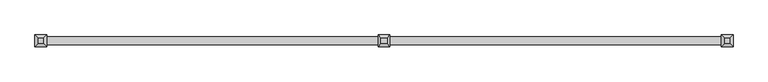
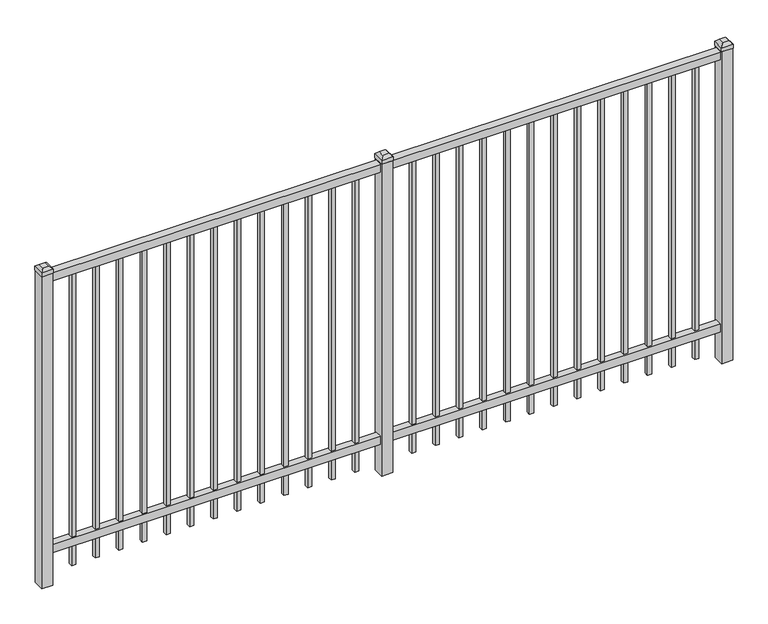
"""IFC4 building model written with IfcOpenShell, lengths in millimetres: railing geometry."""

from ifc_helpers import new_model, si_unit, frame, origin, origin_with_axes, place, context, project, spatial, polyline, outline, extrude, faceted_brep, source, transform, mapped, element, save


def railing_e4c485e8(model_context):
    return source(origin(), model_context, "Body", "SolidModel", [
        extrude(outline(polyline([(-73537.318087, 3004.8804826), (-73537.318087, 3039.8054826), (-70387.718087, 3039.8054826), (-70387.718087, 3004.8804826), (-73537.318087, 3004.8804826)])), frame((0.0, 0.0, 1485.9), z_axis=(0.0, 0.0, 1.0), x_axis=(1.0, 0.0, 0.0)), (0.0, 0.0, 1.0), 38.1),
        extrude(outline(polyline([(-73537.318087, 3004.8804826), (-73537.318087, 3039.8054826), (-70387.718087, 3039.8054826), (-70387.718087, 3004.8804826), (-73537.318087, 3004.8804826)])), frame((0.0, 0.0, 152.4), z_axis=(0.0, 0.0, 1.0), x_axis=(1.0, 0.0, 0.0)), (0.0, 0.0, 1.0), 38.1),
        extrude(outline(polyline([(-70619.2285036, 3031.8679826), (-70619.2285036, 3012.8179826), (-70638.2785036, 3012.8179826), (-70638.2785036, 3031.8679826), (-70619.2285036, 3031.8679826)])), frame((0.0, 0.0, 50.8), z_axis=(0.0, 0.0, 1.0), x_axis=(1.0, 0.0, 0.0)), (0.0, 0.0, 1.0), 1435.1),
        extrude(outline(polyline([(-70728.5014203, 3031.8679826), (-70728.5014203, 3012.8179826), (-70747.5514203, 3012.8179826), (-70747.5514203, 3031.8679826), (-70728.5014203, 3031.8679826)])), frame((0.0, 0.0, 50.8), z_axis=(0.0, 0.0, 1.0), x_axis=(1.0, 0.0, 0.0)), (0.0, 0.0, 1.0), 1435.1),
        extrude(outline(polyline([(-70837.774337, 3031.8679826), (-70837.774337, 3012.8179826), (-70856.824337, 3012.8179826), (-70856.824337, 3031.8679826), (-70837.774337, 3031.8679826)])), frame((0.0, 0.0, 50.8), z_axis=(0.0, 0.0, 1.0), x_axis=(1.0, 0.0, 0.0)), (0.0, 0.0, 1.0), 1435.1),
        extrude(outline(polyline([(-70947.0472536, 3031.8679826), (-70947.0472536, 3012.8179826), (-70966.0972536, 3012.8179826), (-70966.0972536, 3031.8679826), (-70947.0472536, 3031.8679826)])), frame((0.0, 0.0, 50.8), z_axis=(0.0, 0.0, 1.0), x_axis=(1.0, 0.0, 0.0)), (0.0, 0.0, 1.0), 1435.1),
        extrude(outline(polyline([(-71056.3201703, 3031.8679826), (-71056.3201703, 3012.8179826), (-71075.3701703, 3012.8179826), (-71075.3701703, 3031.8679826), (-71056.3201703, 3031.8679826)])), frame((0.0, 0.0, 50.8), z_axis=(0.0, 0.0, 1.0), x_axis=(1.0, 0.0, 0.0)), (0.0, 0.0, 1.0), 1435.1),
        extrude(outline(polyline([(-71165.593087, 3031.8679826), (-71165.593087, 3012.8179826), (-71184.643087, 3012.8179826), (-71184.643087, 3031.8679826), (-71165.593087, 3031.8679826)])), frame((0.0, 0.0, 50.8), z_axis=(0.0, 0.0, 1.0), x_axis=(1.0, 0.0, 0.0)), (0.0, 0.0, 1.0), 1435.1),
        extrude(outline(polyline([(-71274.8660036, 3031.8679826), (-71274.8660036, 3012.8179826), (-71293.9160036, 3012.8179826), (-71293.9160036, 3031.8679826), (-71274.8660036, 3031.8679826)])), frame((0.0, 0.0, 50.8), z_axis=(0.0, 0.0, 1.0), x_axis=(1.0, 0.0, 0.0)), (0.0, 0.0, 1.0), 1435.1),
        extrude(outline(polyline([(-71384.1389203, 3031.8679826), (-71384.1389203, 3012.8179826), (-71403.1889203, 3012.8179826), (-71403.1889203, 3031.8679826), (-71384.1389203, 3031.8679826)])), frame((0.0, 0.0, 50.8), z_axis=(0.0, 0.0, 1.0), x_axis=(1.0, 0.0, 0.0)), (0.0, 0.0, 1.0), 1435.1),
        extrude(outline(polyline([(-71493.411837, 3031.8679826), (-71493.411837, 3012.8179826), (-71512.461837, 3012.8179826), (-71512.461837, 3031.8679826), (-71493.411837, 3031.8679826)])), frame((0.0, 0.0, 50.8), z_axis=(0.0, 0.0, 1.0), x_axis=(1.0, 0.0, 0.0)), (0.0, 0.0, 1.0), 1435.1),
        extrude(outline(polyline([(-71602.6847536, 3031.8679826), (-71602.6847536, 3012.8179826), (-71621.7347536, 3012.8179826), (-71621.7347536, 3031.8679826), (-71602.6847536, 3031.8679826)])), frame((0.0, 0.0, 50.8), z_axis=(0.0, 0.0, 1.0), x_axis=(1.0, 0.0, 0.0)), (0.0, 0.0, 1.0), 1435.1),
        extrude(outline(polyline([(-71711.9576703, 3031.8679826), (-71711.9576703, 3012.8179826), (-71731.0076703, 3012.8179826), (-71731.0076703, 3031.8679826), (-71711.9576703, 3031.8679826)])), frame((0.0, 0.0, 50.8), z_axis=(0.0, 0.0, 1.0), x_axis=(1.0, 0.0, 0.0)), (0.0, 0.0, 1.0), 1435.1),
        extrude(outline(polyline([(-70509.955587, 3031.8679826), (-70509.955587, 3012.8179826), (-70529.005587, 3012.8179826), (-70529.005587, 3031.8679826), (-70509.955587, 3031.8679826)])), frame((0.0, 0.0, 50.8), z_axis=(0.0, 0.0, 1.0), x_axis=(1.0, 0.0, 0.0)), (0.0, 0.0, 1.0), 1435.1),
        extrude(outline(polyline([(-71821.230587, 3031.8679826), (-71821.230587, 3012.8179826), (-71840.280587, 3012.8179826), (-71840.280587, 3031.8679826), (-71821.230587, 3031.8679826)])), frame((0.0, 0.0, 50.8), z_axis=(0.0, 0.0, 1.0), x_axis=(1.0, 0.0, 0.0)), (0.0, 0.0, 1.0), 1435.1),
        extrude(outline(polyline([(-71937.118087, 3047.7429826), (-71937.118087, 2996.9429826), (-71987.918087, 2996.9429826), (-71987.918087, 3047.7429826), (-71937.118087, 3047.7429826)])), origin_with_axes(), (0.0, 0.0, 1.0), 1530.35),
        faceted_brep([(-71989.505587, 3049.3304826, 1549.4), (-71989.505587, 3049.3304826, 1530.35), (-71989.505587, 2995.3554826, 1530.35), (-71989.505587, 2995.3554826, 1549.4), (-71976.805587, 3036.6304826, 1562.1), (-71976.805587, 3008.0554826, 1562.1), (-71935.530587, 2995.3554826, 1530.35), (-71935.530587, 2995.3554826, 1549.4), (-71948.230587, 3008.0554826, 1562.1), (-71935.530587, 3049.3304826, 1530.35), (-71935.530587, 3049.3304826, 1549.4), (-71948.230587, 3036.6304826, 1562.1)], [[[0, 1, 2, 3]], [[4, 0, 3, 5]], [[3, 2, 6, 7]], [[5, 3, 7, 8]], [[7, 6, 9, 10]], [[8, 7, 10, 11]], [[10, 9, 1, 0]], [[11, 10, 0, 4]], [[5, 8, 11, 4]], [[1, 9, 6, 2]]]),
        extrude(outline(polyline([(-72194.0285036, 3031.8679826), (-72194.0285036, 3012.8179826), (-72213.0785036, 3012.8179826), (-72213.0785036, 3031.8679826), (-72194.0285036, 3031.8679826)])), frame((0.0, 0.0, 50.8), z_axis=(0.0, 0.0, 1.0), x_axis=(1.0, 0.0, 0.0)), (0.0, 0.0, 1.0), 1435.1),
        extrude(outline(polyline([(-72303.3014203, 3031.8679826), (-72303.3014203, 3012.8179826), (-72322.3514203, 3012.8179826), (-72322.3514203, 3031.8679826), (-72303.3014203, 3031.8679826)])), frame((0.0, 0.0, 50.8), z_axis=(0.0, 0.0, 1.0), x_axis=(1.0, 0.0, 0.0)), (0.0, 0.0, 1.0), 1435.1),
        extrude(outline(polyline([(-72412.574337, 3031.8679826), (-72412.574337, 3012.8179826), (-72431.624337, 3012.8179826), (-72431.624337, 3031.8679826), (-72412.574337, 3031.8679826)])), frame((0.0, 0.0, 50.8), z_axis=(0.0, 0.0, 1.0), x_axis=(1.0, 0.0, 0.0)), (0.0, 0.0, 1.0), 1435.1),
        extrude(outline(polyline([(-72521.8472536, 3031.8679826), (-72521.8472536, 3012.8179826), (-72540.8972536, 3012.8179826), (-72540.8972536, 3031.8679826), (-72521.8472536, 3031.8679826)])), frame((0.0, 0.0, 50.8), z_axis=(0.0, 0.0, 1.0), x_axis=(1.0, 0.0, 0.0)), (0.0, 0.0, 1.0), 1435.1),
        extrude(outline(polyline([(-72631.1201703, 3031.8679826), (-72631.1201703, 3012.8179826), (-72650.1701703, 3012.8179826), (-72650.1701703, 3031.8679826), (-72631.1201703, 3031.8679826)])), frame((0.0, 0.0, 50.8), z_axis=(0.0, 0.0, 1.0), x_axis=(1.0, 0.0, 0.0)), (0.0, 0.0, 1.0), 1435.1),
        extrude(outline(polyline([(-72740.393087, 3031.8679826), (-72740.393087, 3012.8179826), (-72759.443087, 3012.8179826), (-72759.443087, 3031.8679826), (-72740.393087, 3031.8679826)])), frame((0.0, 0.0, 50.8), z_axis=(0.0, 0.0, 1.0), x_axis=(1.0, 0.0, 0.0)), (0.0, 0.0, 1.0), 1435.1),
        extrude(outline(polyline([(-72849.6660036, 3031.8679826), (-72849.6660036, 3012.8179826), (-72868.7160036, 3012.8179826), (-72868.7160036, 3031.8679826), (-72849.6660036, 3031.8679826)])), frame((0.0, 0.0, 50.8), z_axis=(0.0, 0.0, 1.0), x_axis=(1.0, 0.0, 0.0)), (0.0, 0.0, 1.0), 1435.1),
        extrude(outline(polyline([(-72958.9389203, 3031.8679826), (-72958.9389203, 3012.8179826), (-72977.9889203, 3012.8179826), (-72977.9889203, 3031.8679826), (-72958.9389203, 3031.8679826)])), frame((0.0, 0.0, 50.8), z_axis=(0.0, 0.0, 1.0), x_axis=(1.0, 0.0, 0.0)), (0.0, 0.0, 1.0), 1435.1),
        extrude(outline(polyline([(-73068.211837, 3031.8679826), (-73068.211837, 3012.8179826), (-73087.261837, 3012.8179826), (-73087.261837, 3031.8679826), (-73068.211837, 3031.8679826)])), frame((0.0, 0.0, 50.8), z_axis=(0.0, 0.0, 1.0), x_axis=(1.0, 0.0, 0.0)), (0.0, 0.0, 1.0), 1435.1),
        extrude(outline(polyline([(-73177.4847536, 3031.8679826), (-73177.4847536, 3012.8179826), (-73196.5347536, 3012.8179826), (-73196.5347536, 3031.8679826), (-73177.4847536, 3031.8679826)])), frame((0.0, 0.0, 50.8), z_axis=(0.0, 0.0, 1.0), x_axis=(1.0, 0.0, 0.0)), (0.0, 0.0, 1.0), 1435.1),
        extrude(outline(polyline([(-73286.7576703, 3031.8679826), (-73286.7576703, 3012.8179826), (-73305.8076703, 3012.8179826), (-73305.8076703, 3031.8679826), (-73286.7576703, 3031.8679826)])), frame((0.0, 0.0, 50.8), z_axis=(0.0, 0.0, 1.0), x_axis=(1.0, 0.0, 0.0)), (0.0, 0.0, 1.0), 1435.1),
        extrude(outline(polyline([(-72084.755587, 3031.8679826), (-72084.755587, 3012.8179826), (-72103.805587, 3012.8179826), (-72103.805587, 3031.8679826), (-72084.755587, 3031.8679826)])), frame((0.0, 0.0, 50.8), z_axis=(0.0, 0.0, 1.0), x_axis=(1.0, 0.0, 0.0)), (0.0, 0.0, 1.0), 1435.1),
        extrude(outline(polyline([(-73396.030587, 3031.8679826), (-73396.030587, 3012.8179826), (-73415.080587, 3012.8179826), (-73415.080587, 3031.8679826), (-73396.030587, 3031.8679826)])), frame((0.0, 0.0, 50.8), z_axis=(0.0, 0.0, 1.0), x_axis=(1.0, 0.0, 0.0)), (0.0, 0.0, 1.0), 1435.1),
        extrude(outline(polyline([(-70362.318087, 3047.7429826), (-70362.318087, 2996.9429826), (-70413.118087, 2996.9429826), (-70413.118087, 3047.7429826), (-70362.318087, 3047.7429826)])), origin_with_axes(), (0.0, 0.0, 1.0), 1530.35),
        faceted_brep([(-70414.705587, 3049.3304826, 1549.4), (-70414.705587, 3049.3304826, 1530.35), (-70414.705587, 2995.3554826, 1530.35), (-70414.705587, 2995.3554826, 1549.4), (-70402.005587, 3036.6304826, 1562.1), (-70402.005587, 3008.0554826, 1562.1), (-70360.730587, 2995.3554826, 1530.35), (-70360.730587, 2995.3554826, 1549.4), (-70373.430587, 3008.0554826, 1562.1), (-70360.730587, 3049.3304826, 1530.35), (-70360.730587, 3049.3304826, 1549.4), (-70373.430587, 3036.6304826, 1562.1)], [[[0, 1, 2, 3]], [[4, 0, 3, 5]], [[3, 2, 6, 7]], [[5, 3, 7, 8]], [[7, 6, 9, 10]], [[8, 7, 10, 11]], [[10, 9, 1, 0]], [[11, 10, 0, 4]], [[5, 8, 11, 4]], [[1, 9, 6, 2]]]),
        extrude(outline(polyline([(-73511.918087, 3047.7429826), (-73511.918087, 2996.9429826), (-73562.718087, 2996.9429826), (-73562.718087, 3047.7429826), (-73511.918087, 3047.7429826)])), origin_with_axes(), (0.0, 0.0, 1.0), 1530.35),
        faceted_brep([(-73564.305587, 3049.3304826, 1549.4), (-73564.305587, 3049.3304826, 1530.35), (-73564.305587, 2995.3554826, 1530.35), (-73564.305587, 2995.3554826, 1549.4), (-73551.605587, 3036.6304826, 1562.1), (-73551.605587, 3008.0554826, 1562.1), (-73510.330587, 2995.3554826, 1530.35), (-73510.330587, 2995.3554826, 1549.4), (-73523.030587, 3008.0554826, 1562.1), (-73510.330587, 3049.3304826, 1530.35), (-73510.330587, 3049.3304826, 1549.4), (-73523.030587, 3036.6304826, 1562.1)], [[[0, 1, 2, 3]], [[4, 0, 3, 5]], [[3, 2, 6, 7]], [[5, 3, 7, 8]], [[7, 6, 9, 10]], [[8, 7, 10, 11]], [[10, 9, 1, 0]], [[11, 10, 0, 4]], [[5, 8, 11, 4]], [[1, 9, 6, 2]]]),
    ])


if __name__ == "__main__":
    model = new_model("IFC4")
    model_context = context("Model", 3, world=origin())
    ifc_project = project(units=[si_unit("LENGTHUNIT", "METRE", prefix="MILLI")], contexts=[model_context])
    site = spatial("IfcSite", under=ifc_project)
    building = spatial("IfcBuilding", under=site)
    placement = place(None, origin())
    railing_shape = railing_e4c485e8(model_context)
    element("IfcRailing", 1, at=placement, inside=building, context=model_context, shape_type="MappedRepresentation", body=[
        mapped(railing_shape, transform((0.0, 0.0, 0.0), x_axis=(1.0, 0.0, 0.0), y_axis=(0.0, 1.0, 0.0), z_axis=(0.0, 0.0, 1.0))),
    ])
    save(model, "model.ifc")
